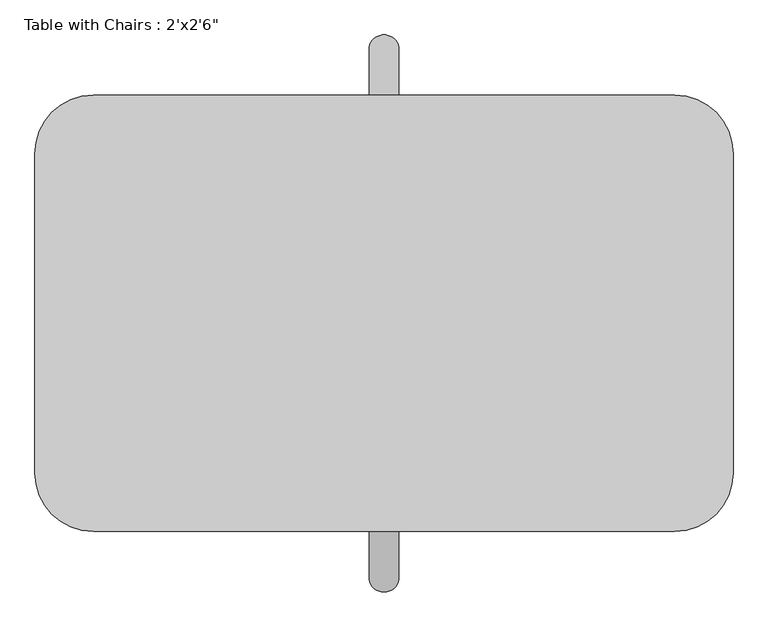
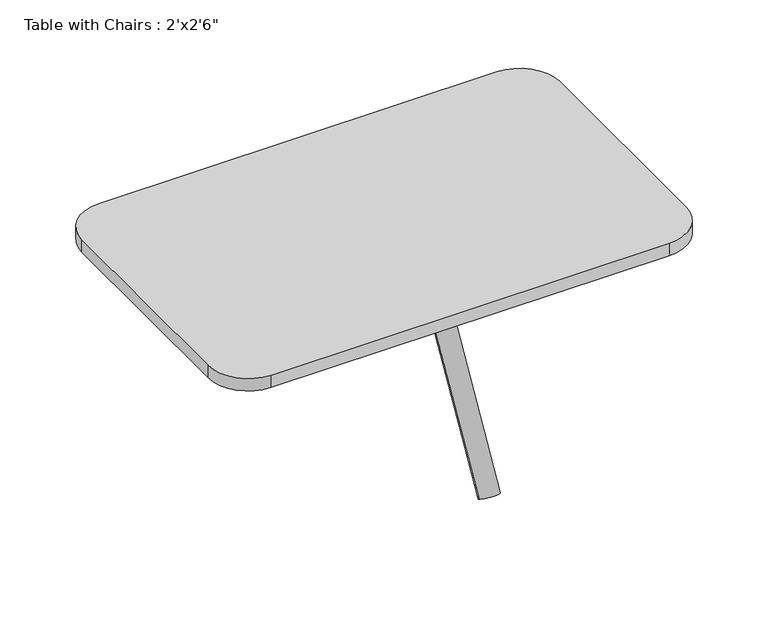
"""IFC4 building model written with IfcOpenShell, lengths in millimetres: furniture geometry."""

from ifc_helpers import new_model, si_unit, point, frame, frame_2d, origin, place, context, project, spatial, polyline, circle_curve, trimmed, segment, composite_curve, outline, extrude, source, transform, mapped, element, save


def furniture_2e50ff99(model_context):
    return source(origin(), model_context, "Body", "SweptSolid", [
        extrude(outline(composite_curve([segment(trimmed(circle_curve(frame_2d((0.0, 25.4)), 25.4), [point((0.0, 50.8))], [point((0.0, 0.0))], False, "CARTESIAN"), True, "CONTINUOUS"), segment(trimmed(circle_curve(frame_2d((0.0, 25.4)), 25.4), [point((0.0, 0.0))], [point((0.0, 50.8))], False, "CARTESIAN"), True, "CONTINUOUS")], self_intersect=False)), frame((25.4, -464.7106025, 342.6815006), z_axis=(0.0, 0.49999999999999983, 0.8660254037844388), x_axis=(0.0, 0.8660254037844388, -0.49999999999999983)), (0.0, 0.0, 1.0), 501.4645704),
        extrude(outline(composite_curve([segment(trimmed(circle_curve(frame_2d((0.0, 25.4)), 25.4), [point((0.0, 50.8))], [point((0.0, 0.0))], False, "CARTESIAN"), True, "CONTINUOUS"), segment(trimmed(circle_curve(frame_2d((0.0, 25.4)), 25.4), [point((0.0, 0.0))], [point((0.0, 50.8))], False, "CARTESIAN"), True, "CONTINUOUS")], self_intersect=False)), frame((25.4, 464.7106025, 342.6815006), z_axis=(0.0, -0.49999999999999983, 0.8660254037844388), x_axis=(0.0, 0.8660254037844388, 0.49999999999999983)), (0.0, 0.0, 1.0), 498.7793381),
        extrude(outline(composite_curve([segment(polyline([(508.0, -381.0), (-508.0, -381.0)]), True, "CONTINUOUS"), segment(trimmed(circle_curve(frame_2d((-508.0, -279.4)), 101.6), [point((-508.0, -381.0))], [point((-609.6, -279.4))], False, "CARTESIAN"), True, "CONTINUOUS"), segment(polyline([(-609.6, -279.4), (-609.6, 279.4)]), True, "CONTINUOUS"), segment(trimmed(circle_curve(frame_2d((-508.0, 279.4)), 101.6), [point((-609.6, 279.4))], [point((-508.0, 381.0))], False, "CARTESIAN"), True, "CONTINUOUS"), segment(polyline([(-508.0, 381.0), (508.0, 381.0)]), True, "CONTINUOUS"), segment(trimmed(circle_curve(frame_2d((508.0, 279.4)), 101.6), [point((508.0, 381.0))], [point((609.6, 279.4))], False, "CARTESIAN"), True, "CONTINUOUS"), segment(polyline([(609.6, 279.4), (609.6, -279.4)]), True, "CONTINUOUS"), segment(trimmed(circle_curve(frame_2d((508.0, -279.4)), 101.6), [point((609.6, -279.4))], [point((508.0, -381.0))], False, "CARTESIAN"), True, "CONTINUOUS")], self_intersect=False)), frame((0.0, 0.0, 762.0), z_axis=(0.0, 0.0, 1.0), x_axis=(1.0, 0.0, 0.0)), (0.0, 0.0, 1.0), 33.5451862),
    ])


if __name__ == "__main__":
    model = new_model("IFC4")
    model_context = context("Model", 3, world=origin())
    ifc_project = project(units=[si_unit("LENGTHUNIT", "METRE", prefix="MILLI")], contexts=[model_context])
    site = spatial("IfcSite", under=ifc_project)
    building = spatial("IfcBuilding", under=site)
    placement = place(None, origin())
    furniture_shape = furniture_2e50ff99(model_context)
    element("IfcFurniture", 1, ObjectType="Table with Chairs : 2'x2'6\"", at=placement, inside=building, context=model_context, shape_type="MappedRepresentation", body=[
        mapped(furniture_shape, transform((0.0, 0.0, 0.0), x_axis=(1.0, 0.0, 0.0), y_axis=(0.0, 1.0, 0.0), z_axis=(0.0, 0.0, 1.0))),
    ])
    save(model, "model.ifc")
